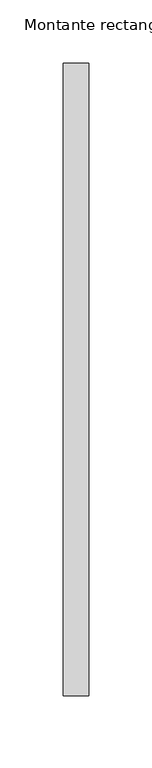
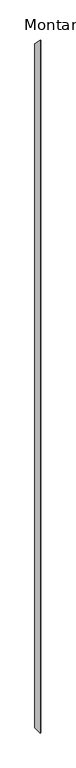
"""IFC4 building model written with IfcOpenShell, lengths in millimetres: member geometry, Montante rectangular."""

import ifcopenshell
import ifcopenshell.guid

model = None  # the IFC model being written
_history = None  # IfcOwnerHistory: only IFC2X3 demands one
_inside = {}  # id of a spatial element -> (the spatial element, [elements in it])
_under = {}  # id of a project, library or spatial element -> (it, [spatial elements below it])
_declared = {}  # id of a project -> (the project, [libraries it declares])
_typed = {}  # id of a type object -> (the type object, [elements of that type])
_made_of = {}  # id of a material, layer set ... -> (it, [elements and type objects made of it])


def new_model(schema):
    """Start an empty IFC model of exactly this schema.

    Asked for "IFC4X3", IfcOpenShell would pick the latest addendum, in which some entities
    have other attributes; the version numbers below select the first issue.
    IFC2X3 requires an IfcOwnerHistory on every rooted entity: one is made here for all.
    """
    global model, _history
    if schema == "IFC4X3":
        model = ifcopenshell.file(schema_version=(4, 3, 0, 0))
    else:
        model = ifcopenshell.file(schema=schema)
    _inside.clear()
    _under.clear()
    _declared.clear()
    _typed.clear()
    _made_of.clear()
    _history = None
    if model.schema == "IFC2X3":
        org = make("IfcOrganization", Name="unknown")
        user = make(
            "IfcPersonAndOrganization",
            ThePerson=make("IfcPerson", FamilyName="unknown"),
            TheOrganization=org,
        )
        app = make(
            "IfcApplication",
            ApplicationDeveloper=org,
            Version="unknown",
            ApplicationFullName="unknown",
            ApplicationIdentifier="unknown",
        )
        _history = make(
            "IfcOwnerHistory",
            OwningUser=user,
            OwningApplication=app,
            ChangeAction="ADDED",
            CreationDate=0,
        )
    return model


def make(cls, **values):
    """One entity of the class cls with the attributes given. An attribute that is None is left unset."""
    return model.create_entity(
        cls, **{name: value for name, value in values.items() if value is not None}
    )


def rooted(cls, **values):
    """An entity with a GlobalId (a new one), such as an element, a storey or a relation."""
    return make(cls, GlobalId=ifcopenshell.guid.new(), OwnerHistory=_history, **values)


def si_unit(unit_type, name, prefix=None):
    """IfcSIUnit, for example si_unit("LENGTHUNIT", "METRE", prefix="MILLI")."""
    return make("IfcSIUnit", UnitType=unit_type, Prefix=prefix, Name=name)


def assignment(units):
    """IfcUnitAssignment: the units of a project."""
    return None if units is None else make("IfcUnitAssignment", Units=units)


def point(xyz):
    """IfcCartesianPoint."""
    return None if xyz is None else make("IfcCartesianPoint", Coordinates=xyz)


def direction(xyz):
    """IfcDirection."""
    return None if xyz is None else make("IfcDirection", DirectionRatios=xyz)


def frame(location, z_axis=None, x_axis=None):
    """IfcAxis2Placement3D, a coordinate frame: its origin and axes. An axis left out is left unset."""
    return make(
        "IfcAxis2Placement3D",
        Location=point(location),
        Axis=direction(z_axis),
        RefDirection=direction(x_axis),
    )


def origin():
    """The frame at (0, 0, 0) with its axes left unset."""
    return frame((0.0, 0.0, 0.0))


def place(relative_to, where):
    """IfcLocalPlacement: puts the frame where relative to a parent placement (None: the world)."""
    return make(
        "IfcLocalPlacement", PlacementRelTo=relative_to, RelativePlacement=where
    )


def context(
    kind, dimensions, precision=None, world=None, true_north=None, identifier=None
):
    """IfcGeometricRepresentationContext, for example the 3D "Model" context."""
    return make(
        "IfcGeometricRepresentationContext",
        ContextIdentifier=identifier,
        ContextType=kind,
        CoordinateSpaceDimension=dimensions,
        Precision=precision,
        WorldCoordinateSystem=world,
        TrueNorth=true_north,
    )


def project(units=None, contexts=None):
    """IfcProject with its units and contexts."""
    return rooted(
        "IfcProject",
        Name="project",
        RepresentationContexts=contexts,
        UnitsInContext=assignment(units),
    )


def spatial(cls, under=None, at=None, **own):
    """A site, building, storey or space (cls), placed at a placement, below another one or the project."""
    s = rooted(cls, ObjectPlacement=at, **own)
    if under is not None:
        _under.setdefault(under.id(), (under, []))[1].append(s)
    return s


def polyline(points):
    """IfcPolyline through the points."""
    return make("IfcPolyline", Points=[point(p) for p in points])


def outline(outer, holes=None, kind="AREA"):
    """IfcArbitraryClosedProfileDef: a profile drawn as a closed curve; with holes, ...WithVoids."""
    if holes is None:
        return make("IfcArbitraryClosedProfileDef", ProfileType=kind, OuterCurve=outer)
    return make(
        "IfcArbitraryProfileDefWithVoids",
        ProfileType=kind,
        OuterCurve=outer,
        InnerCurves=holes,
    )


def extrude(swept, where, along, depth):
    """IfcExtrudedAreaSolid: the profile swept, set in the frame where, extruded along a direction by depth."""
    return make(
        "IfcExtrudedAreaSolid",
        SweptArea=swept,
        Position=where,
        ExtrudedDirection=direction(along),
        Depth=depth,
    )


def shape(context_of_items, identifier, shape_type, items):
    """IfcShapeRepresentation: the items that make up one representation, for example the "Body"."""
    return make(
        "IfcShapeRepresentation",
        ContextOfItems=context_of_items,
        RepresentationIdentifier=identifier,
        RepresentationType=shape_type,
        Items=items,
    )


def source(mapping_origin, context_of_items, identifier, shape_type, items):
    """IfcRepresentationMap: a shape defined once, which mapped items show again and again."""
    return make(
        "IfcRepresentationMap",
        MappingOrigin=mapping_origin,
        MappedRepresentation=shape(context_of_items, identifier, shape_type, items),
    )


def transform(
    local_origin,
    x_axis=None,
    y_axis=None,
    z_axis=None,
    scale=None,
    scale2=None,
    scale3=None,
    uniform=True,
):
    """IfcCartesianTransformationOperator3D, or its non-uniform kind. x_axis, y_axis, z_axis: its Axis1, 2, 3."""
    if uniform:
        return make(
            "IfcCartesianTransformationOperator3D",
            Axis1=direction(x_axis),
            Axis2=direction(y_axis),
            LocalOrigin=point(local_origin),
            Scale=scale,
            Axis3=direction(z_axis),
        )
    return make(
        "IfcCartesianTransformationOperator3DnonUniform",
        Axis1=direction(x_axis),
        Axis2=direction(y_axis),
        LocalOrigin=point(local_origin),
        Scale=scale,
        Axis3=direction(z_axis),
        Scale2=scale2,
        Scale3=scale3,
    )


def mapped(mapping_source, mapping_target):
    """IfcMappedItem: shows the shape of a source again, moved by a transform."""
    return make(
        "IfcMappedItem", MappingSource=mapping_source, MappingTarget=mapping_target
    )


def made_of(thing, what):
    """Note that an element or type object is made of a material, layer set ...; save() writes the relation."""
    if what is not None:
        _made_of.setdefault(what.id(), (what, []))[1].append(thing)
    return thing


def element(
    cls,
    number,
    at=None,
    inside=None,
    cuts=None,
    type_object=None,
    material=None,
    context=None,
    identifier="Body",
    shape_type=None,
    held_by="IfcProductDefinitionShape",
    body=None,
    shapes=None,
    **own,
):
    """One element of the class cls, such as IfcWall. Its Tag is "e" and its number.

    at: its placement. inside: the storey or other place that contains it. cuts: it is an
    opening in that element (IfcRelVoidsElement). A single representation is given by context,
    identifier, shape_type and body (its items); several are given by shapes. held_by: the class
    of the entity that holds the representations. save() writes the other relations.
    """
    e = rooted(cls, Tag="e%d" % number, ObjectPlacement=at, **own)
    if body is not None:
        shapes = [shape(context, identifier, shape_type, body)]
    if shapes is not None:
        e.Representation = make(held_by, Representations=shapes)
    if inside is not None:
        _inside.setdefault(inside.id(), (inside, []))[1].append(e)
    if cuts is not None:
        rooted(
            "IfcRelVoidsElement", RelatingBuildingElement=cuts, RelatedOpeningElement=e
        )
    if type_object is not None:
        _typed.setdefault(type_object.id(), (type_object, []))[1].append(e)
    return made_of(e, material)


def aggregate(whole, parts):
    """IfcRelAggregates: a whole, such as a stair, and the parts it consists of."""
    return rooted("IfcRelAggregates", RelatingObject=whole, RelatedObjects=parts)


def save(model, path):
    """Write the relations noted so far, then the file.

    IfcRelAggregates (storeys below a building ...), IfcRelContainedInSpatialStructure (elements
    in a storey), IfcRelDefinesByType, IfcRelAssociatesMaterial and IfcRelDeclares: one each for
    every whole, place, type object, material and project.
    """
    for whole, parts in _under.values():
        aggregate(whole, parts)
    for where, things in _inside.values():
        rooted(
            "IfcRelContainedInSpatialStructure",
            RelatedElements=things,
            RelatingStructure=where,
        )
    for kind, things in _typed.values():
        rooted("IfcRelDefinesByType", RelatedObjects=things, RelatingType=kind)
    for what, things in _made_of.values():
        rooted("IfcRelAssociatesMaterial", RelatedObjects=things, RelatingMaterial=what)
    for by, libraries in _declared.values():
        rooted("IfcRelDeclares", RelatingContext=by, RelatedDefinitions=libraries)
    model.write(path)


def montante_rectangular_9601f567(model_context):
    return source(origin(), model_context, "Body", "SweptSolid", [
        extrude(outline(polyline([(-250.0, 250.0), (250.0, -250.0), (250.0, -39492.7210549), (-250.0, -39492.7210549), (-250.0, 250.0)])), frame((-20.0, 0.0, 0.0), z_axis=(1.0, 0.0, 0.0), x_axis=(0.0, 1.0, 0.0)), (0.0, 0.0, 1.0), 20.0),
    ])


if __name__ == "__main__":
    model = new_model("IFC4")
    model_context = context("Model", 3, world=origin())
    ifc_project = project(units=[si_unit("LENGTHUNIT", "METRE", prefix="MILLI")], contexts=[model_context])
    site = spatial("IfcSite", under=ifc_project)
    building = spatial("IfcBuilding", under=site)
    placement = place(None, origin())
    montante_rectangular_shape = montante_rectangular_9601f567(model_context)
    element("IfcMember", 1, ObjectType="Montante rectangular", at=placement, inside=building, context=model_context, shape_type="MappedRepresentation", body=[
        mapped(montante_rectangular_shape, transform((0.0, 0.0, 0.0), x_axis=(1.0, 0.0, 0.0), y_axis=(0.0, 1.0, 0.0), z_axis=(0.0, 0.0, 1.0))),
    ])
    save(model, "model.ifc")
